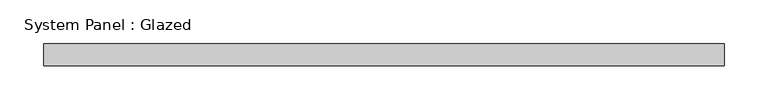
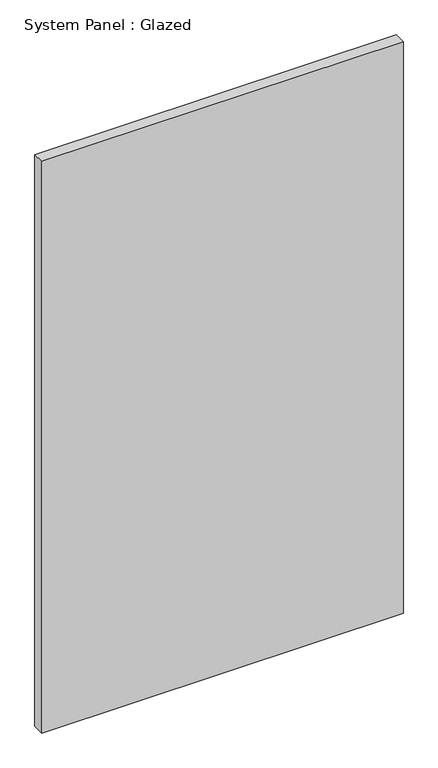
"""IFC4 building model written with IfcOpenShell, lengths in millimetres: plate geometry, System Panel : Glazed."""

from ifc_helpers import new_model, si_unit, origin, origin_with_axes, place, context, project, spatial, polyline, outline, extrude, source, transform, mapped, element, save


def system_panel_glazed_6e12f2d6(model_context):
    return source(origin(), model_context, "Body", "SweptSolid", [
        extrude(outline(polyline([(389.7313261, -12.7), (-389.7313261, -12.7), (-389.7313261, 12.7), (389.7313261, 12.7), (389.7313261, -12.7)])), origin_with_axes(), (0.0, 0.0, 1.0), 1301.75),
    ])


if __name__ == "__main__":
    model = new_model("IFC4")
    model_context = context("Model", 3, world=origin())
    ifc_project = project(units=[si_unit("LENGTHUNIT", "METRE", prefix="MILLI")], contexts=[model_context])
    site = spatial("IfcSite", under=ifc_project)
    building = spatial("IfcBuilding", under=site)
    placement = place(None, origin())
    system_panel_glazed_shape = system_panel_glazed_6e12f2d6(model_context)
    element("IfcPlate", 1, ObjectType="System Panel : Glazed", at=placement, inside=building, context=model_context, shape_type="MappedRepresentation", body=[
        mapped(system_panel_glazed_shape, transform((0.0, 0.0, 0.0), x_axis=(1.0, 0.0, 0.0), y_axis=(0.0, 1.0, 0.0), z_axis=(0.0, 0.0, 1.0))),
    ])
    save(model, "model.ifc")
